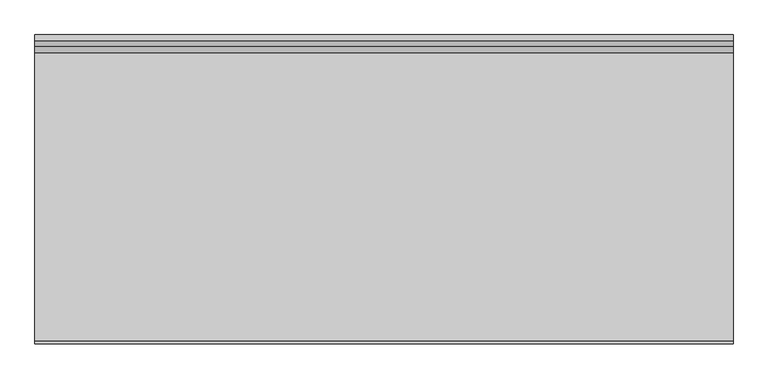
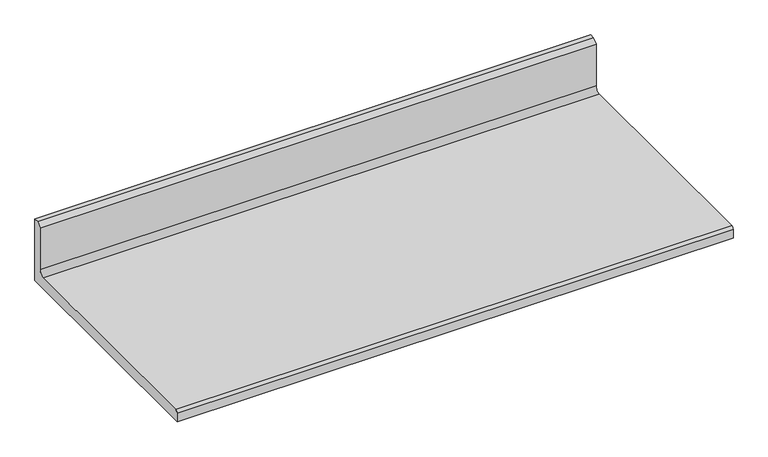
"""IFC4 building model written with IfcOpenShell, lengths in millimetres: furniture geometry."""

from ifc_helpers import new_model, si_unit, point, frame, frame_2d, origin, place, context, project, spatial, polyline, circle_curve, trimmed, segment, composite_curve, outline, extrude, source, transform, mapped, element, save


def furniture_53953a81(model_context):
    return source(origin(), model_context, "Body", "SweptSolid", [
        extrude(outline(composite_curve([segment(polyline([(168.529, 1106.297), (168.529, 962.66508), (-371.729, 962.66508), (-371.729, 982.47708)]), True, "CONTINUOUS"), segment(trimmed(circle_curve(frame_2d((-366.141, 982.47708)), 5.588), [point((-371.729, 982.47708))], [point((-366.141, 988.06508))], False, "CARTESIAN"), True, "CONTINUOUS"), segment(polyline([(-366.141, 988.06508), (136.271, 988.06508)]), True, "CONTINUOUS"), segment(trimmed(circle_curve(frame_2d((136.271, 1000.76508)), 12.7), [point((136.271, 988.06508))], [point((148.971, 1000.76508))], True, "CARTESIAN"), True, "CONTINUOUS"), segment(polyline([(148.971, 1000.76508), (148.971, 1096.772), (158.496, 1106.297), (168.529, 1106.297)]), True, "CONTINUOUS")], self_intersect=False)), frame((-609.6, 0.0, 0.0), z_axis=(1.0, 0.0, 0.0), x_axis=(0.0, 1.0, 0.0)), (0.0, 0.0, 1.0), 1219.2),
    ])


if __name__ == "__main__":
    model = new_model("IFC4")
    model_context = context("Model", 3, world=origin())
    ifc_project = project(units=[si_unit("LENGTHUNIT", "METRE", prefix="MILLI")], contexts=[model_context])
    site = spatial("IfcSite", under=ifc_project)
    building = spatial("IfcBuilding", under=site)
    placement = place(None, origin())
    furniture_shape = furniture_53953a81(model_context)
    element("IfcFurniture", 1, at=placement, inside=building, context=model_context, shape_type="MappedRepresentation", body=[
        mapped(furniture_shape, transform((0.0, 0.0, 0.0), x_axis=(1.0, 0.0, 0.0), y_axis=(0.0, 1.0, 0.0), z_axis=(0.0, 0.0, 1.0))),
    ])
    save(model, "model.ifc")
